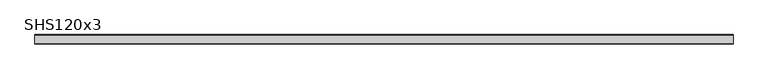
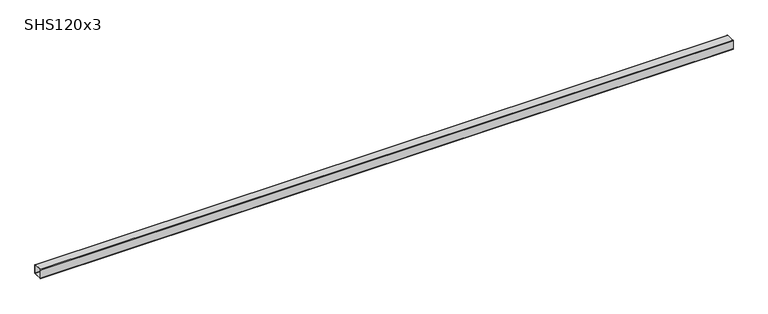
"""IFC4 building model written with IfcOpenShell, lengths in millimetres: beam geometry, SHS120x3."""

from ifc_helpers import new_model, si_unit, point, frame, frame_2d, origin, place, context, project, spatial, polyline, circle_curve, trimmed, segment, composite_curve, outline, extrude, source, transform, mapped, element, save


def shs120x3_a9620615(model_context):
    return source(origin(), model_context, "Body", "SweptSolid", [
        extrude(outline(composite_curve([segment(polyline([(60.0, 54.0), (60.0, -54.0)]), True, "CONTINUOUS"), segment(trimmed(circle_curve(frame_2d((54.0, -54.0)), 6.0), [point((60.0, -54.0))], [point((54.0, -60.0))], False, "CARTESIAN"), True, "CONTINUOUS"), segment(polyline([(54.0, -60.0), (-54.0, -60.0)]), True, "CONTINUOUS"), segment(trimmed(circle_curve(frame_2d((-54.0, -54.0)), 6.0), [point((-54.0, -60.0))], [point((-60.0, -54.0))], False, "CARTESIAN"), True, "CONTINUOUS"), segment(polyline([(-60.0, -54.0), (-60.0, 54.0)]), True, "CONTINUOUS"), segment(trimmed(circle_curve(frame_2d((-54.0, 54.0)), 6.0), [point((-60.0, 54.0))], [point((-54.0, 60.0))], False, "CARTESIAN"), True, "CONTINUOUS"), segment(polyline([(-54.0, 60.0), (54.0, 60.0)]), True, "CONTINUOUS"), segment(trimmed(circle_curve(frame_2d((54.0, 54.0)), 6.0), [point((54.0, 60.0))], [point((60.0, 54.0))], False, "CARTESIAN"), True, "CONTINUOUS")], self_intersect=False), holes=[composite_curve([segment(trimmed(circle_curve(frame_2d((-54.0, 54.0)), 3.0), [point((-54.0, 57.0))], [point((-57.0, 54.0))], True, "CARTESIAN"), True, "CONTINUOUS"), segment(polyline([(-57.0, 54.0), (-57.0, -54.0)]), True, "CONTINUOUS"), segment(trimmed(circle_curve(frame_2d((-54.0, -54.0)), 3.0), [point((-57.0, -54.0))], [point((-54.0, -57.0))], True, "CARTESIAN"), True, "CONTINUOUS"), segment(polyline([(-54.0, -57.0), (54.0, -57.0)]), True, "CONTINUOUS"), segment(trimmed(circle_curve(frame_2d((54.0, -54.0)), 3.0), [point((54.0, -57.0))], [point((57.0, -54.0))], True, "CARTESIAN"), True, "CONTINUOUS"), segment(polyline([(57.0, -54.0), (57.0, 54.0)]), True, "CONTINUOUS"), segment(trimmed(circle_curve(frame_2d((54.0, 54.0)), 3.0), [point((57.0, 54.0))], [point((54.0, 57.0))], True, "CARTESIAN"), True, "CONTINUOUS"), segment(polyline([(54.0, 57.0), (-54.0, 57.0)]), True, "CONTINUOUS")], self_intersect=False)]), frame((-4387.0, 0.0, 0.0), z_axis=(1.0, 0.0, 0.0), x_axis=(0.0, 1.0, 0.0)), (0.0, 0.0, 1.0), 8774.0),
    ])


if __name__ == "__main__":
    model = new_model("IFC4")
    model_context = context("Model", 3, world=origin())
    ifc_project = project(units=[si_unit("LENGTHUNIT", "METRE", prefix="MILLI")], contexts=[model_context])
    site = spatial("IfcSite", under=ifc_project)
    building = spatial("IfcBuilding", under=site)
    placement = place(None, origin())
    shs120x3_shape = shs120x3_a9620615(model_context)
    element("IfcBeam", 1, ObjectType="SHS120x3", at=placement, inside=building, context=model_context, shape_type="MappedRepresentation", body=[
        mapped(shs120x3_shape, transform((0.0, 0.0, 0.0), x_axis=(1.0, 0.0, 0.0), y_axis=(0.0, 1.0, 0.0), z_axis=(0.0, 0.0, 1.0))),
    ])
    save(model, "model.ifc")
